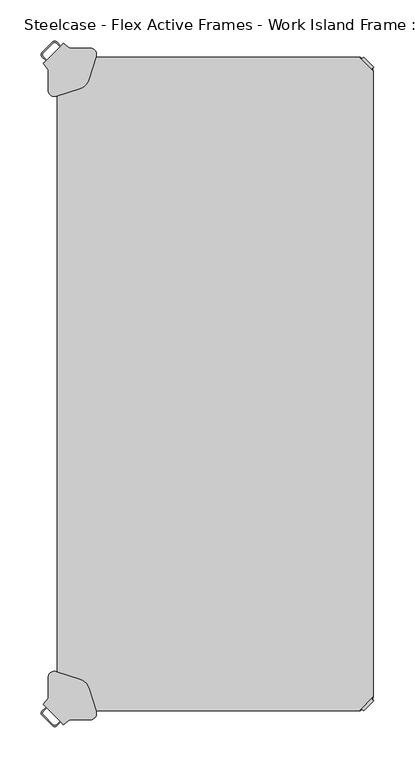
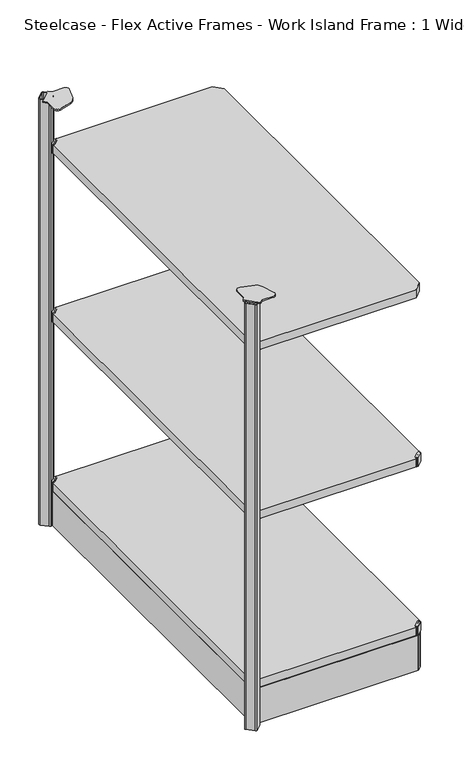
"""IFC4 building model written with IfcOpenShell, lengths in millimetres: furniture geometry, Steelcase - Flex Active Frames - Work Island Frame : 1 Wide - 2 Deep 2."""

import ifcopenshell
import ifcopenshell.guid

model = None  # the IFC model being written
_history = None  # IfcOwnerHistory: only IFC2X3 demands one
_inside = {}  # id of a spatial element -> (the spatial element, [elements in it])
_under = {}  # id of a project, library or spatial element -> (it, [spatial elements below it])
_declared = {}  # id of a project -> (the project, [libraries it declares])
_typed = {}  # id of a type object -> (the type object, [elements of that type])
_made_of = {}  # id of a material, layer set ... -> (it, [elements and type objects made of it])


def new_model(schema):
    """Start an empty IFC model of exactly this schema.

    Asked for "IFC4X3", IfcOpenShell would pick the latest addendum, in which some entities
    have other attributes; the version numbers below select the first issue.
    IFC2X3 requires an IfcOwnerHistory on every rooted entity: one is made here for all.
    """
    global model, _history
    if schema == "IFC4X3":
        model = ifcopenshell.file(schema_version=(4, 3, 0, 0))
    else:
        model = ifcopenshell.file(schema=schema)
    _inside.clear()
    _under.clear()
    _declared.clear()
    _typed.clear()
    _made_of.clear()
    _history = None
    if model.schema == "IFC2X3":
        org = make("IfcOrganization", Name="unknown")
        user = make(
            "IfcPersonAndOrganization",
            ThePerson=make("IfcPerson", FamilyName="unknown"),
            TheOrganization=org,
        )
        app = make(
            "IfcApplication",
            ApplicationDeveloper=org,
            Version="unknown",
            ApplicationFullName="unknown",
            ApplicationIdentifier="unknown",
        )
        _history = make(
            "IfcOwnerHistory",
            OwningUser=user,
            OwningApplication=app,
            ChangeAction="ADDED",
            CreationDate=0,
        )
    return model


def make(cls, **values):
    """One entity of the class cls with the attributes given. An attribute that is None is left unset."""
    return model.create_entity(
        cls, **{name: value for name, value in values.items() if value is not None}
    )


def rooted(cls, **values):
    """An entity with a GlobalId (a new one), such as an element, a storey or a relation."""
    return make(cls, GlobalId=ifcopenshell.guid.new(), OwnerHistory=_history, **values)


def si_unit(unit_type, name, prefix=None):
    """IfcSIUnit, for example si_unit("LENGTHUNIT", "METRE", prefix="MILLI")."""
    return make("IfcSIUnit", UnitType=unit_type, Prefix=prefix, Name=name)


def assignment(units):
    """IfcUnitAssignment: the units of a project."""
    return None if units is None else make("IfcUnitAssignment", Units=units)


def point(xyz):
    """IfcCartesianPoint."""
    return None if xyz is None else make("IfcCartesianPoint", Coordinates=xyz)


def direction(xyz):
    """IfcDirection."""
    return None if xyz is None else make("IfcDirection", DirectionRatios=xyz)


def frame(location, z_axis=None, x_axis=None):
    """IfcAxis2Placement3D, a coordinate frame: its origin and axes. An axis left out is left unset."""
    return make(
        "IfcAxis2Placement3D",
        Location=point(location),
        Axis=direction(z_axis),
        RefDirection=direction(x_axis),
    )


def frame_2d(location, x_axis=None):
    """IfcAxis2Placement2D, a coordinate frame in the plane: its origin and x axis."""
    return make(
        "IfcAxis2Placement2D", Location=point(location), RefDirection=direction(x_axis)
    )


def origin():
    """The frame at (0, 0, 0) with its axes left unset."""
    return frame((0.0, 0.0, 0.0))


def place(relative_to, where):
    """IfcLocalPlacement: puts the frame where relative to a parent placement (None: the world)."""
    return make(
        "IfcLocalPlacement", PlacementRelTo=relative_to, RelativePlacement=where
    )


def context(
    kind, dimensions, precision=None, world=None, true_north=None, identifier=None
):
    """IfcGeometricRepresentationContext, for example the 3D "Model" context."""
    return make(
        "IfcGeometricRepresentationContext",
        ContextIdentifier=identifier,
        ContextType=kind,
        CoordinateSpaceDimension=dimensions,
        Precision=precision,
        WorldCoordinateSystem=world,
        TrueNorth=true_north,
    )


def project(units=None, contexts=None):
    """IfcProject with its units and contexts."""
    return rooted(
        "IfcProject",
        Name="project",
        RepresentationContexts=contexts,
        UnitsInContext=assignment(units),
    )


def spatial(cls, under=None, at=None, **own):
    """A site, building, storey or space (cls), placed at a placement, below another one or the project."""
    s = rooted(cls, ObjectPlacement=at, **own)
    if under is not None:
        _under.setdefault(under.id(), (under, []))[1].append(s)
    return s


def polyline(points):
    """IfcPolyline through the points."""
    return make("IfcPolyline", Points=[point(p) for p in points])


def circle_curve(where, radius):
    """IfcCircle in the frame where."""
    return make("IfcCircle", Position=where, Radius=radius)


def trimmed(basis, trim1, trim2, sense, master):
    """IfcTrimmedCurve: the piece of a basis curve between two trims."""
    return make(
        "IfcTrimmedCurve",
        BasisCurve=basis,
        Trim1=trim1,
        Trim2=trim2,
        SenseAgreement=sense,
        MasterRepresentation=master,
    )


def segment(curve, same_sense, transition):
    """IfcCompositeCurveSegment."""
    return make(
        "IfcCompositeCurveSegment",
        Transition=transition,
        SameSense=same_sense,
        ParentCurve=curve,
    )


def composite_curve(segments, self_intersect=None):
    """IfcCompositeCurve: segments joined end to end."""
    return make("IfcCompositeCurve", Segments=segments, SelfIntersect=self_intersect)


def outline(outer, holes=None, kind="AREA"):
    """IfcArbitraryClosedProfileDef: a profile drawn as a closed curve; with holes, ...WithVoids."""
    if holes is None:
        return make("IfcArbitraryClosedProfileDef", ProfileType=kind, OuterCurve=outer)
    return make(
        "IfcArbitraryProfileDefWithVoids",
        ProfileType=kind,
        OuterCurve=outer,
        InnerCurves=holes,
    )


def extrude(swept, where, along, depth):
    """IfcExtrudedAreaSolid: the profile swept, set in the frame where, extruded along a direction by depth."""
    return make(
        "IfcExtrudedAreaSolid",
        SweptArea=swept,
        Position=where,
        ExtrudedDirection=direction(along),
        Depth=depth,
    )


def shape(context_of_items, identifier, shape_type, items):
    """IfcShapeRepresentation: the items that make up one representation, for example the "Body"."""
    return make(
        "IfcShapeRepresentation",
        ContextOfItems=context_of_items,
        RepresentationIdentifier=identifier,
        RepresentationType=shape_type,
        Items=items,
    )


def source(mapping_origin, context_of_items, identifier, shape_type, items):
    """IfcRepresentationMap: a shape defined once, which mapped items show again and again."""
    return make(
        "IfcRepresentationMap",
        MappingOrigin=mapping_origin,
        MappedRepresentation=shape(context_of_items, identifier, shape_type, items),
    )


def transform(
    local_origin,
    x_axis=None,
    y_axis=None,
    z_axis=None,
    scale=None,
    scale2=None,
    scale3=None,
    uniform=True,
):
    """IfcCartesianTransformationOperator3D, or its non-uniform kind. x_axis, y_axis, z_axis: its Axis1, 2, 3."""
    if uniform:
        return make(
            "IfcCartesianTransformationOperator3D",
            Axis1=direction(x_axis),
            Axis2=direction(y_axis),
            LocalOrigin=point(local_origin),
            Scale=scale,
            Axis3=direction(z_axis),
        )
    return make(
        "IfcCartesianTransformationOperator3DnonUniform",
        Axis1=direction(x_axis),
        Axis2=direction(y_axis),
        LocalOrigin=point(local_origin),
        Scale=scale,
        Axis3=direction(z_axis),
        Scale2=scale2,
        Scale3=scale3,
    )


def mapped(mapping_source, mapping_target):
    """IfcMappedItem: shows the shape of a source again, moved by a transform."""
    return make(
        "IfcMappedItem", MappingSource=mapping_source, MappingTarget=mapping_target
    )


def made_of(thing, what):
    """Note that an element or type object is made of a material, layer set ...; save() writes the relation."""
    if what is not None:
        _made_of.setdefault(what.id(), (what, []))[1].append(thing)
    return thing


def element(
    cls,
    number,
    at=None,
    inside=None,
    cuts=None,
    type_object=None,
    material=None,
    context=None,
    identifier="Body",
    shape_type=None,
    held_by="IfcProductDefinitionShape",
    body=None,
    shapes=None,
    **own,
):
    """One element of the class cls, such as IfcWall. Its Tag is "e" and its number.

    at: its placement. inside: the storey or other place that contains it. cuts: it is an
    opening in that element (IfcRelVoidsElement). A single representation is given by context,
    identifier, shape_type and body (its items); several are given by shapes. held_by: the class
    of the entity that holds the representations. save() writes the other relations.
    """
    e = rooted(cls, Tag="e%d" % number, ObjectPlacement=at, **own)
    if body is not None:
        shapes = [shape(context, identifier, shape_type, body)]
    if shapes is not None:
        e.Representation = make(held_by, Representations=shapes)
    if inside is not None:
        _inside.setdefault(inside.id(), (inside, []))[1].append(e)
    if cuts is not None:
        rooted(
            "IfcRelVoidsElement", RelatingBuildingElement=cuts, RelatedOpeningElement=e
        )
    if type_object is not None:
        _typed.setdefault(type_object.id(), (type_object, []))[1].append(e)
    return made_of(e, material)


def aggregate(whole, parts):
    """IfcRelAggregates: a whole, such as a stair, and the parts it consists of."""
    return rooted("IfcRelAggregates", RelatingObject=whole, RelatedObjects=parts)


def save(model, path):
    """Write the relations noted so far, then the file.

    IfcRelAggregates (storeys below a building ...), IfcRelContainedInSpatialStructure (elements
    in a storey), IfcRelDefinesByType, IfcRelAssociatesMaterial and IfcRelDeclares: one each for
    every whole, place, type object, material and project.
    """
    for whole, parts in _under.values():
        aggregate(whole, parts)
    for where, things in _inside.values():
        rooted(
            "IfcRelContainedInSpatialStructure",
            RelatedElements=things,
            RelatingStructure=where,
        )
    for kind, things in _typed.values():
        rooted("IfcRelDefinesByType", RelatedObjects=things, RelatingType=kind)
    for what, things in _made_of.values():
        rooted("IfcRelAssociatesMaterial", RelatedObjects=things, RelatingMaterial=what)
    for by, libraries in _declared.values():
        rooted("IfcRelDeclares", RelatingContext=by, RelatedDefinitions=libraries)
    model.write(path)


def plane_surface(at):
    """IfcPlane: the flat surface through the origin of the frame at, square to its z axis."""
    return make("IfcPlane", Position=at)


def cylinder_surface(at, radius):
    """IfcCylindricalSurface: all points at the distance radius from the z axis of the frame at."""
    return make("IfcCylindricalSurface", Position=at, Radius=radius)


def revolved_surface(curve, axis_point, axis_direction):
    """IfcSurfaceOfRevolution: the curve turned about the line through axis_point along axis_direction."""
    return make(
        "IfcSurfaceOfRevolution",
        SweptCurve=make("IfcArbitraryOpenProfileDef", ProfileType="CURVE", Curve=curve),
        AxisPosition=make("IfcAxis1Placement", Location=point(axis_point), Axis=direction(axis_direction)),
    )


def advanced_brep(points, edges, surfaces, faces):
    """IfcAdvancedBrep: a solid bounded by faces that lie on surfaces and meet in shared edges.

    An edge is (start, end): straight between two places in points (the first is 0);
    or (start, end, curve); or (start, end, curve, False) where it runs against its curve.
    A face is (place in surfaces, loops), or (place, loops, False) where it looks against
    its surface's normal. A loop lists edges by number (the first is 1), with a minus sign
    where the edge is run from its end to its start. The first loop is the outer one.
    """
    corners = [point(p) for p in points]
    vertices = [make("IfcVertexPoint", VertexGeometry=c) for c in corners]
    made = []
    for start, end, *more in edges:
        made.append(
            make(
                "IfcEdgeCurve",
                EdgeStart=vertices[start],
                EdgeEnd=vertices[end],
                EdgeGeometry=more[0] if more else make("IfcPolyline", Points=[corners[start], corners[end]]),
                SameSense=more[1] if len(more) > 1 else True,
            )
        )
    hull = []
    for where, loops, *sense in faces:
        bounds = []
        for j, loop in enumerate(loops):
            ring = [make("IfcOrientedEdge", EdgeElement=made[abs(k) - 1], Orientation=k > 0) for k in loop]
            bounds.append(
                make(
                    "IfcFaceOuterBound" if j == 0 else "IfcFaceBound",
                    Bound=make("IfcEdgeLoop", EdgeList=ring),
                    Orientation=True,
                )
            )
        hull.append(make("IfcAdvancedFace", Bounds=bounds, FaceSurface=surfaces[where], SameSense=sense[0] if sense else True))
    return make("IfcAdvancedBrep", Outer=make("IfcClosedShell", CfsFaces=hull))


def steelcase_flex_active_frames_work_island_frame_1_wide_2_deep_ec42e5cf(model_context):
    return source(origin(), model_context, "Body", "SolidModel", [
        extrude(outline(composite_curve([segment(polyline([(369.3964357, 1.93874), (367.4264729, -0.0311996), (366.32654, -0.0189911), (366.6921123, 2.7161946)]), True, "CONTINUOUS"), segment(trimmed(circle_curve(frame_2d((372.9861436, 1.8749633)), 6.35), [point((366.6921123, 2.7161946))], [point((368.4959854, 6.3650612))], False, "CARTESIAN"), True, "CONTINUOUS"), segment(polyline([(368.4959854, 6.3650612), (377.1652784, 15.0344708)]), True, "CONTINUOUS"), segment(trimmed(circle_curve(frame_2d((381.6554366, 10.5443729)), 6.35), [point((377.1652784, 15.0344708))], [point((380.8143812, 16.8384277))], False, "CARTESIAN"), True, "CONTINUOUS"), segment(polyline([(380.8143812, 16.8384277), (383.5495198, 17.203916), (383.5617057, 16.1038431), (381.590772, 14.1329326), (383.6787028, 12.044977), (371.4844011, -0.1493247), (369.3964357, 1.93874)]), True, "CONTINUOUS")], self_intersect=False)), frame((0.0, 0.0, 496.4821468), z_axis=(0.0, 0.0, 1.0), x_axis=(1.0, 0.0, 0.0)), (0.0, 0.0, 1.0), 20.2281258),
        extrude(outline(composite_curve([segment(polyline([(369.3964357, 790.54126), (371.4844011, 792.6293247), (383.6787028, 780.435023), (381.590772, 778.3470674), (383.5617057, 776.3761569), (383.5495198, 775.276084), (380.8143812, 775.6415723)]), True, "CONTINUOUS"), segment(trimmed(circle_curve(frame_2d((381.6554366, 781.9356271)), 6.35), [point((380.8143812, 775.6415723))], [point((377.1652784, 777.4455292))], False, "CARTESIAN"), True, "CONTINUOUS"), segment(polyline([(377.1652784, 777.4455292), (368.4959854, 786.1149388)]), True, "CONTINUOUS"), segment(trimmed(circle_curve(frame_2d((372.9861436, 790.6050367)), 6.35), [point((368.4959854, 786.1149388))], [point((366.6921123, 789.7638054))], False, "CARTESIAN"), True, "CONTINUOUS"), segment(polyline([(366.6921123, 789.7638054), (366.32654, 792.4989911), (367.4264729, 792.5111996), (369.3964357, 790.54126)]), True, "CONTINUOUS")], self_intersect=False)), frame((0.0, 0.0, 496.4821468), z_axis=(0.0, 0.0, 1.0), x_axis=(1.0, 0.0, 0.0)), (0.0, 0.0, 1.0), 20.2281258),
        extrude(outline(composite_curve([segment(polyline([(369.3964357, 1.93874), (367.4264729, -0.0311996), (366.32654, -0.0189911), (366.6921123, 2.7161946)]), True, "CONTINUOUS"), segment(trimmed(circle_curve(frame_2d((372.9861436, 1.8749633)), 6.35), [point((366.6921123, 2.7161946))], [point((368.4959854, 6.3650612))], False, "CARTESIAN"), True, "CONTINUOUS"), segment(polyline([(368.4959854, 6.3650612), (377.1652784, 15.0344708)]), True, "CONTINUOUS"), segment(trimmed(circle_curve(frame_2d((381.6554366, 10.5443729)), 6.35), [point((377.1652784, 15.0344708))], [point((380.8143812, 16.8384277))], False, "CARTESIAN"), True, "CONTINUOUS"), segment(polyline([(380.8143812, 16.8384277), (383.5495198, 17.203916), (383.5617057, 16.1038431), (381.590772, 14.1329326), (383.6787028, 12.044977), (371.4844011, -0.1493247), (369.3964357, 1.93874)]), True, "CONTINUOUS")], self_intersect=False)), frame((0.0, 0.0, 96.4824829), z_axis=(0.0, 0.0, 1.0), x_axis=(1.0, 0.0, 0.0)), (0.0, 0.0, 1.0), 20.2281258),
        extrude(outline(composite_curve([segment(polyline([(369.3964357, 790.54126), (371.4844011, 792.6293247), (383.6787028, 780.435023), (381.590772, 778.3470674), (383.5617057, 776.3761569), (383.5495198, 775.276084), (380.8143812, 775.6415723)]), True, "CONTINUOUS"), segment(trimmed(circle_curve(frame_2d((381.6554366, 781.9356271)), 6.35), [point((380.8143812, 775.6415723))], [point((377.1652784, 777.4455292))], False, "CARTESIAN"), True, "CONTINUOUS"), segment(polyline([(377.1652784, 777.4455292), (368.4959854, 786.1149388)]), True, "CONTINUOUS"), segment(trimmed(circle_curve(frame_2d((372.9861436, 790.6050367)), 6.35), [point((368.4959854, 786.1149388))], [point((366.6921123, 789.7638054))], False, "CARTESIAN"), True, "CONTINUOUS"), segment(polyline([(366.6921123, 789.7638054), (366.32654, 792.4989911), (367.4264729, 792.5111996), (369.3964357, 790.54126)]), True, "CONTINUOUS")], self_intersect=False)), frame((0.0, 0.0, 96.4824829), z_axis=(0.0, 0.0, 1.0), x_axis=(1.0, 0.0, 0.0)), (0.0, 0.0, 1.0), 20.2281258),
        extrude(outline(polyline([(0.0003876, 775.2859914), (17.1943962, 792.48), (366.3456038, 792.48), (383.5396124, 775.2859914), (383.5396124, 17.1940086), (366.3456038, 0.0), (17.1943962, 0.0), (0.0003876, 17.1940086), (0.0003876, 775.2859914)])), frame((0.0, 0.0, 97.4999596), z_axis=(0.0, 0.0, 1.0), x_axis=(1.0, 0.0, 0.0)), (0.0, 0.0, 1.0), 19.0000031),
        extrude(outline(composite_curve([segment(polyline([(14.1435643, 1.93874), (12.0555989, -0.1493247), (-0.1387028, 12.044977), (1.949228, 14.1329326), (-0.0217057, 16.1038431), (-0.0095198, 17.203916), (2.7256188, 16.8384277)]), True, "CONTINUOUS"), segment(trimmed(circle_curve(frame_2d((1.8845634, 10.5443729)), 6.35), [point((2.7256188, 16.8384277))], [point((6.3747216, 15.0344708))], False, "CARTESIAN"), True, "CONTINUOUS"), segment(polyline([(6.3747216, 15.0344708), (15.0440146, 6.3650612)]), True, "CONTINUOUS"), segment(trimmed(circle_curve(frame_2d((10.5538564, 1.8749633)), 6.35), [point((15.0440146, 6.3650612))], [point((16.8478877, 2.7161946))], False, "CARTESIAN"), True, "CONTINUOUS"), segment(polyline([(16.8478877, 2.7161946), (17.21346, -0.0189911), (16.1135271, -0.0311996), (14.1435643, 1.93874)]), True, "CONTINUOUS")], self_intersect=False)), frame((0.0, 0.0, 96.4824829), z_axis=(0.0, 0.0, 1.0), x_axis=(1.0, 0.0, 0.0)), (0.0, 0.0, 1.0), 20.2281258),
        extrude(outline(composite_curve([segment(polyline([(14.1435643, 790.54126), (16.1135271, 792.5111996), (17.21346, 792.4989911), (16.8478877, 789.7638054)]), True, "CONTINUOUS"), segment(trimmed(circle_curve(frame_2d((10.5538564, 790.6050367)), 6.35), [point((16.8478877, 789.7638054))], [point((15.0440146, 786.1149388))], False, "CARTESIAN"), True, "CONTINUOUS"), segment(polyline([(15.0440146, 786.1149388), (6.3747216, 777.4455292)]), True, "CONTINUOUS"), segment(trimmed(circle_curve(frame_2d((1.8845634, 781.9356271)), 6.35), [point((6.3747216, 777.4455292))], [point((2.7256188, 775.6415723))], False, "CARTESIAN"), True, "CONTINUOUS"), segment(polyline([(2.7256188, 775.6415723), (-0.0095198, 775.276084), (-0.0217057, 776.3761569), (1.949228, 778.3470674), (-0.1387028, 780.435023), (12.0555989, 792.6293247), (14.1435643, 790.54126)]), True, "CONTINUOUS")], self_intersect=False)), frame((0.0, 0.0, 96.4824829), z_axis=(0.0, 0.0, 1.0), x_axis=(1.0, 0.0, 0.0)), (0.0, 0.0, 1.0), 20.2281258),
        extrude(outline(polyline([(0.0003876, 775.2859914), (17.1943962, 792.48), (366.3456038, 792.48), (383.5396124, 775.2859914), (383.5396124, 17.1940086), (366.3456038, 0.0), (17.1943962, 0.0), (0.0003876, 17.1940086), (0.0003876, 775.2859914)])), frame((0.0, 0.0, 497.4996235), z_axis=(0.0, 0.0, 1.0), x_axis=(1.0, 0.0, 0.0)), (0.0, 0.0, 1.0), 19.0000031),
        extrude(outline(composite_curve([segment(polyline([(14.1435643, 1.93874), (12.0555989, -0.1493247), (-0.1387028, 12.044977), (1.949228, 14.1329326), (-0.0217057, 16.1038431), (-0.0095198, 17.203916), (2.7256188, 16.8384277)]), True, "CONTINUOUS"), segment(trimmed(circle_curve(frame_2d((1.8845634, 10.5443729)), 6.35), [point((2.7256188, 16.8384277))], [point((6.3747216, 15.0344708))], False, "CARTESIAN"), True, "CONTINUOUS"), segment(polyline([(6.3747216, 15.0344708), (15.0440146, 6.3650612)]), True, "CONTINUOUS"), segment(trimmed(circle_curve(frame_2d((10.5538564, 1.8749633)), 6.35), [point((15.0440146, 6.3650612))], [point((16.8478877, 2.7161946))], False, "CARTESIAN"), True, "CONTINUOUS"), segment(polyline([(16.8478877, 2.7161946), (17.21346, -0.0189911), (16.1135271, -0.0311996), (14.1435643, 1.93874)]), True, "CONTINUOUS")], self_intersect=False)), frame((0.0, 0.0, 496.4821468), z_axis=(0.0, 0.0, 1.0), x_axis=(1.0, 0.0, 0.0)), (0.0, 0.0, 1.0), 20.2281258),
        extrude(outline(composite_curve([segment(polyline([(14.1435643, 790.54126), (16.1135271, 792.5111996), (17.21346, 792.4989911), (16.8478877, 789.7638054)]), True, "CONTINUOUS"), segment(trimmed(circle_curve(frame_2d((10.5538564, 790.6050367)), 6.35), [point((16.8478877, 789.7638054))], [point((15.0440146, 786.1149388))], False, "CARTESIAN"), True, "CONTINUOUS"), segment(polyline([(15.0440146, 786.1149388), (6.3747216, 777.4455292)]), True, "CONTINUOUS"), segment(trimmed(circle_curve(frame_2d((1.8845634, 781.9356271)), 6.35), [point((6.3747216, 777.4455292))], [point((2.7256188, 775.6415723))], False, "CARTESIAN"), True, "CONTINUOUS"), segment(polyline([(2.7256188, 775.6415723), (-0.0095198, 775.276084), (-0.0217057, 776.3761569), (1.949228, 778.3470674), (-0.1387028, 780.435023), (12.0555989, 792.6293247), (14.1435643, 790.54126)]), True, "CONTINUOUS")], self_intersect=False)), frame((0.0, 0.0, 496.4821468), z_axis=(0.0, 0.0, 1.0), x_axis=(1.0, 0.0, 0.0)), (0.0, 0.0, 1.0), 20.2281258),
        extrude(outline(polyline([(0.0003876, 775.2859914), (17.1943962, 792.48), (366.3456038, 792.48), (383.5396124, 775.2859914), (383.5396124, 17.1940086), (366.3456038, 0.0), (17.1943962, 0.0), (0.0003876, 17.1940086), (0.0003876, 775.2859914)])), frame((0.0, 0.0, 897.4997719), z_axis=(0.0, 0.0, 1.0), x_axis=(1.0, 0.0, 0.0)), (0.0, 0.0, 1.0), 19.0000031),
        extrude(outline(composite_curve([segment(polyline([(14.1435643, 1.93874), (12.0555989, -0.1493247), (-0.1387028, 12.044977), (1.949228, 14.1329326), (-0.0217057, 16.1038431), (-0.0095198, 17.203916), (2.7256188, 16.8384277)]), True, "CONTINUOUS"), segment(trimmed(circle_curve(frame_2d((1.8845634, 10.5443729)), 6.35), [point((2.7256188, 16.8384277))], [point((6.3747216, 15.0344708))], False, "CARTESIAN"), True, "CONTINUOUS"), segment(polyline([(6.3747216, 15.0344708), (15.0440146, 6.3650612)]), True, "CONTINUOUS"), segment(trimmed(circle_curve(frame_2d((10.5538564, 1.8749633)), 6.35), [point((15.0440146, 6.3650612))], [point((16.8478877, 2.7161946))], False, "CARTESIAN"), True, "CONTINUOUS"), segment(polyline([(16.8478877, 2.7161946), (17.21346, -0.0189911), (16.1135271, -0.0311996), (14.1435643, 1.93874)]), True, "CONTINUOUS")], self_intersect=False)), frame((0.0, 0.0, 896.4822952), z_axis=(0.0, 0.0, 1.0), x_axis=(1.0, 0.0, 0.0)), (0.0, 0.0, 1.0), 20.2281258),
        extrude(outline(composite_curve([segment(polyline([(14.1435643, 790.54126), (16.1135271, 792.5111996), (17.21346, 792.4989911), (16.8478877, 789.7638054)]), True, "CONTINUOUS"), segment(trimmed(circle_curve(frame_2d((10.5538564, 790.6050367)), 6.35), [point((16.8478877, 789.7638054))], [point((15.0440146, 786.1149388))], False, "CARTESIAN"), True, "CONTINUOUS"), segment(polyline([(15.0440146, 786.1149388), (6.3747216, 777.4455292)]), True, "CONTINUOUS"), segment(trimmed(circle_curve(frame_2d((1.8845634, 781.9356271)), 6.35), [point((6.3747216, 777.4455292))], [point((2.7256188, 775.6415723))], False, "CARTESIAN"), True, "CONTINUOUS"), segment(polyline([(2.7256188, 775.6415723), (-0.0095198, 775.276084), (-0.0217057, 776.3761569), (1.949228, 778.3470674), (-0.1387028, 780.435023), (12.0555989, 792.6293247), (14.1435643, 790.54126)]), True, "CONTINUOUS")], self_intersect=False)), frame((0.0, 0.0, 896.4822952), z_axis=(0.0, 0.0, 1.0), x_axis=(1.0, 0.0, 0.0)), (0.0, 0.0, 1.0), 20.2281258),
        extrude(outline(composite_curve([segment(trimmed(circle_curve(frame_2d((12.1559074, 3.5418273)), 2.54), [point((12.155908, 1.0018273))], [point((10.3598561, 1.7457761))], False, "CARTESIAN"), True, "CONTINUOUS"), segment(polyline([(10.3598561, 1.7457761), (1.7515161, 10.3541161)]), True, "CONTINUOUS"), segment(trimmed(circle_curve(frame_2d((3.5475673, 12.1501673)), 2.54), [point((1.7515161, 10.3541161))], [point((1.0075673, 12.1501687))], False, "CARTESIAN"), True, "CONTINUOUS"), segment(polyline([(1.0075673, 12.1501687), (1.0077651, 780.3615295)]), True, "CONTINUOUS"), segment(trimmed(circle_curve(frame_2d((3.5475673, 780.3298327)), 2.54), [point((1.0077651, 780.3615295))], [point((1.7515161, 782.1258839))], False, "CARTESIAN"), True, "CONTINUOUS"), segment(polyline([(1.7515161, 782.1258839), (10.3598561, 790.7342239)]), True, "CONTINUOUS"), segment(trimmed(circle_curve(frame_2d((12.1559074, 788.9381727)), 2.54), [point((10.3598561, 790.7342239))], [point((12.155908, 791.4781727))], False, "CARTESIAN"), True, "CONTINUOUS"), segment(polyline([(12.155908, 791.4781727), (371.4065262, 791.4780736)]), True, "CONTINUOUS"), segment(trimmed(circle_curve(frame_2d((371.3840926, 788.9381727)), 2.54), [point((371.4065262, 791.4780736))], [point((373.1801439, 790.7342239))], False, "CARTESIAN"), True, "CONTINUOUS"), segment(polyline([(373.1801439, 790.7342239), (381.7884839, 782.1258839)]), True, "CONTINUOUS"), segment(trimmed(circle_curve(frame_2d((379.9924327, 780.3298327)), 2.54), [point((381.7884839, 782.1258839))], [point((382.5322349, 780.3615295))], False, "CARTESIAN"), True, "CONTINUOUS"), segment(polyline([(382.5322349, 780.3615295), (382.5324327, 12.1501687)]), True, "CONTINUOUS"), segment(trimmed(circle_curve(frame_2d((379.9924327, 12.1501673)), 2.54), [point((382.5324327, 12.1501687))], [point((381.7884839, 10.3541161))], False, "CARTESIAN"), True, "CONTINUOUS"), segment(polyline([(381.7884839, 10.3541161), (373.1801439, 1.7457761)]), True, "CONTINUOUS"), segment(trimmed(circle_curve(frame_2d((371.3840926, 3.5418273)), 2.54), [point((373.1801439, 1.7457761))], [point((371.4065262, 1.0019264))], False, "CARTESIAN"), True, "CONTINUOUS"), segment(polyline([(371.4065262, 1.0019264), (12.155908, 1.0018273)]), True, "CONTINUOUS")], self_intersect=False)), frame((0.0, 0.0, 12.5999909), z_axis=(0.0, 0.0, 1.0), x_axis=(1.0, 0.0, 0.0)), (0.0, 0.0, 1.0), 82.39977),
        advanced_brep(
        [(-18.5290767, -5.1536029, 1021.9997307), (-5.1665297, -18.5163124, 1021.9997307), (-0.8559936, -18.5163256, 1021.9997307), (4.0570852, -13.6032467, 1021.9997307), (7.5669051, -17.1137694, 1021.9997307), (14.9749338, -10.9765587, 1021.9997307), (39.9930987, -10.9762884, 1021.9997307), (47.258394, -1.0587489, 1021.9997307), (38.2322093, 27.4842379, 1021.9997307), (27.4702561, 38.2473507, 1021.9997307), (-1.0706201, 47.2762508, 1021.9997307), (-10.9889425, 40.0111633, 1021.9997307), (-10.9890821, 14.9855194, 1021.9997307), (-17.0652617, 7.5233295, 1021.9997307), (-13.6142669, 4.0716438, 1021.9997307), (-18.5290505, -0.8430799, 1021.9997307), (-16.5637788, -5.1536214, 1021.9997307), (-16.5637683, -0.843088, 1021.9997307), (-12.631731, 3.0889111, 1021.9997307), (3.0746134, -12.6205781, 1021.9997307), (-0.8557986, -16.5510473, 1021.9997307), (-5.1663372, -16.5510629, 1021.9997307), (-18.5290767, -5.1536029, 12.5999909), (-18.5290505, -0.8430799, 12.5999909), (-5.1662856, 12.5195224, 12.5999909), (-0.8557649, 12.5194983, 12.5999909), (12.5067144, -0.8431164, 12.5999909), (12.5067035, -5.1536284, 12.5999909), (-0.8559936, -18.5163256, 12.5999909), (-5.1665297, -18.5163124, 12.5999909), (-16.5637788, -5.1536214, 12.5999909), (-5.1663372, -16.5510629, 12.5999909), (-0.8557986, -16.5510473, 12.5999909), (10.5415514, -5.1535313, 12.5999909), (10.5415357, -0.843024, 12.5999909), (-0.8557675, 10.5542792, 12.5999909), (-5.16628, 10.5542897, 12.5999909), (-16.5637683, -0.843088, 12.5999909), (-13.6142669, 4.0716438, 1019.0034988), (-5.1662856, 12.5195224, 1019.0034988), (-0.8557649, 12.5194983, 1019.0034988), (12.5067144, -0.8431164, 1019.0034988), (12.5067035, -5.1536284, 1019.0034988), (4.0570852, -13.6032467, 1019.0034988), (3.0746134, -12.6205781, 1019.0034988), (10.5415514, -5.1535313, 1019.0034988), (10.5415357, -0.843024, 1019.0034988), (-0.8557675, 10.5542792, 1019.0034988), (-5.16628, 10.5542897, 1019.0034988), (-12.631731, 3.0889111, 1019.0034988), (7.5669051, -17.1137694, 1019.0034988), (-17.0652617, 7.5233295, 1019.0034988), (-10.9890821, 14.9855194, 1019.0034988), (-10.9889425, 40.0111633, 1019.0034988), (-1.0706201, 47.2762508, 1019.0034988), (27.4702561, 38.2473507, 1019.0034988), (38.2322093, 27.4842379, 1019.0034988), (47.258394, -1.0587489, 1019.0034988), (39.9930987, -10.9762884, 1019.0034988), (14.9749338, -10.9765587, 1019.0034988)],
        [
            (0, 1),
            (1, 2, circle_curve(frame((-3.0112551, -16.3610641, 1021.9997307), z_axis=(0.0, 0.0, 1.0), x_axis=(1.0, 0.0, 0.0)), 3.048)),
            (2, 3),
            (3, 4),
            (4, 5),
            (5, 6),
            (6, 7, circle_curve(frame((39.9930164, -3.3562884, 1021.9997307), z_axis=(0.0, 0.0, 1.0), x_axis=(1.0, 0.0, 0.0)), 7.62)),
            (7, 8),
            (8, 9, circle_curve(frame((22.4905578, 22.5062356, 1021.9997307), z_axis=(0.0, 0.0, 1.0), x_axis=(1.0, 0.0, 0.0)), 16.51)),
            (9, 10),
            (10, 11, circle_curve(frame((-3.3689425, 40.0111207, 1021.9997307), z_axis=(0.0, 0.0, 1.0), x_axis=(1.0, 0.0, 0.0)), 7.62)),
            (11, 12),
            (12, 13),
            (13, 14),
            (14, 15),
            (15, 0, circle_curve(frame((-16.3738021, -2.9983545, 1021.9997307), z_axis=(0.0, 0.0, 1.0), x_axis=(1.0, 0.0, 0.0)), 3.048)),
            (16, 17, circle_curve(frame((-14.4085173, -2.9983599, 1021.9997307), z_axis=(0.0, 0.0, -1.0), x_axis=(1.0, 0.0, 0.0)), 3.048)),
            (17, 18),
            (18, 19),
            (19, 20),
            (20, 21, circle_curve(frame((-3.0110758, -14.3958015, 1021.9997307), z_axis=(0.0, 0.0, -1.0), x_axis=(1.0, 0.0, 0.0)), 3.048)),
            (21, 16),
            (22, 23, circle_curve(frame((-16.3738021, -2.9983545, 12.5999909), z_axis=(0.0, 0.0, -1.0), x_axis=(1.0, 0.0, 0.0)), 3.048)),
            (23, 24),
            (24, 25, circle_curve(frame((-3.0110373, 10.3642478, 12.5999909), z_axis=(0.0, 0.0, -1.0), x_axis=(1.0, 0.0, 0.0)), 3.048)),
            (25, 26),
            (26, 27, circle_curve(frame((10.351442, -2.998367, 12.5999909), z_axis=(0.0, 0.0, -1.0), x_axis=(1.0, 0.0, 0.0)), 3.048)),
            (27, 28),
            (28, 29, circle_curve(frame((-3.0112551, -16.3610641, 12.5999909), z_axis=(0.0, 0.0, -1.0), x_axis=(1.0, 0.0, 0.0)), 3.048)),
            (29, 22),
            (30, 31),
            (31, 32, circle_curve(frame((-3.0110758, -14.3958015, 12.5999909), z_axis=(0.0, 0.0, 1.0), x_axis=(1.0, 0.0, 0.0)), 3.048)),
            (32, 33),
            (33, 34, circle_curve(frame((8.3862743, -2.9982855, 12.5999909), z_axis=(0.0, 0.0, 1.0), x_axis=(1.0, 0.0, 0.0)), 3.048)),
            (34, 35),
            (35, 36, circle_curve(frame((-3.011029, 8.3990177, 12.5999909), z_axis=(0.0, 0.0, 1.0), x_axis=(1.0, 0.0, 0.0)), 3.048)),
            (36, 37),
            (37, 30, circle_curve(frame((-14.4085173, -2.9983599, 12.5999909), z_axis=(0.0, 0.0, 1.0), x_axis=(1.0, 0.0, 0.0)), 3.048)),
            (15, 23),
            (22, 0),
            (14, 38),
            (38, 39),
            (39, 24),
            (39, 40, circle_curve(frame((-3.0110373, 10.3642478, 1019.0034988), z_axis=(0.0, 0.0, -1.0), x_axis=(1.0, 0.0, 0.0)), 3.048)),
            (40, 25),
            (40, 41),
            (41, 26),
            (41, 42, circle_curve(frame((10.351442, -2.998367, 1019.0034988), z_axis=(0.0, 0.0, -1.0), x_axis=(1.0, 0.0, 0.0)), 3.048)),
            (42, 27),
            (42, 43),
            (43, 3),
            (2, 28),
            (1, 29),
            (21, 31),
            (30, 16),
            (20, 32),
            (19, 44),
            (44, 45),
            (45, 33),
            (45, 46, circle_curve(frame((8.3862743, -2.9982855, 1019.0034988), z_axis=(0.0, 0.0, 1.0), x_axis=(1.0, 0.0, 0.0)), 3.048)),
            (46, 34),
            (46, 47),
            (47, 35),
            (47, 48, circle_curve(frame((-3.011029, 8.3990177, 1019.0034988), z_axis=(0.0, 0.0, 1.0), x_axis=(1.0, 0.0, 0.0)), 3.048)),
            (48, 36),
            (48, 49),
            (49, 18),
            (17, 37),
            (44, 49),
            (50, 43),
            (38, 51),
            (51, 52),
            (52, 53),
            (53, 54, circle_curve(frame((-3.3689425, 40.0111207, 1019.0034988), z_axis=(0.0, 0.0, -1.0), x_axis=(1.0, 0.0, 0.0)), 7.62)),
            (54, 55),
            (55, 56, circle_curve(frame((22.4905578, 22.5062356, 1019.0034988), z_axis=(0.0, 0.0, -1.0), x_axis=(1.0, 0.0, 0.0)), 16.51)),
            (56, 57),
            (57, 58, circle_curve(frame((39.9930164, -3.3562884, 1019.0034988), z_axis=(0.0, 0.0, -1.0), x_axis=(1.0, 0.0, 0.0)), 7.62)),
            (58, 59),
            (59, 50),
            (50, 4),
            (13, 51),
            (12, 52),
            (11, 53),
            (10, 54),
            (9, 55),
            (8, 56),
            (7, 57),
            (6, 58),
            (5, 59),
        ],
        [
            plane_surface(frame((-13.3258021, -2.9983545, 1021.9997307), z_axis=(0.0, 0.0, 1.0), x_axis=(0.0, -1.0, 0.0))),
            plane_surface(frame((-13.3258021, -2.9983545, 12.5999909), z_axis=(0.0, 0.0, -1.0), x_axis=(0.0, 1.0, 0.0))),
            cylinder_surface(frame((-16.3738021, -2.9983545, 12.5999909), z_axis=(0.0, 0.0, 1.0), x_axis=(1.0, 0.0, 0.0)), 3.048),
            plane_surface(frame((-18.5290505, -0.8430799, 1021.9997307), z_axis=(-0.7071024799413723, 0.7071110824055591, 0.0), x_axis=(0.0, 0.0, -1.0))),
            cylinder_surface(frame((-3.0110373, 10.3642478, 12.5999909), z_axis=(0.0, 0.0, 1.0), x_axis=(1.0, 0.0, 0.0)), 3.048),
            plane_surface(frame((-0.8557649, 12.5194983, 1021.9997307), z_axis=(0.7071103654975404, 0.7071031968573858, 0.0), x_axis=(0.0, 0.0, -1.0))),
            cylinder_surface(frame((10.351442, -2.998367, 12.5999909), z_axis=(0.0, 0.0, 1.0), x_axis=(1.0, 0.0, 0.0)), 3.048),
            plane_surface(frame((12.5067035, -5.1536284, 1021.9997307), z_axis=(0.7071067811865476, -0.7071067811865476, 0.0), x_axis=(0.0, 0.0, -1.0))),
            cylinder_surface(frame((-3.0112551, -16.3610641, 12.5999909), z_axis=(0.0, 0.0, 1.0), x_axis=(1.0, 0.0, 0.0)), 3.048),
            plane_surface(frame((-5.1665297, -18.5163124, 1021.9997307), z_axis=(-0.7071110823880841, -0.7071024799588475, 0.0), x_axis=(0.0, 0.0, -1.0))),
            plane_surface(frame((-16.5637788, -5.1536214, 1021.9997307), z_axis=(0.7071067811865476, 0.7071067811865476, 0.0), x_axis=(0.0, 0.0, -1.0))),
            revolved_surface(polyline([(0.036924200000000074, -14.3958015, 12.5999909), (0.036924200000000074, -14.3958015, 1021.9997307)]), (-3.0110758, -14.3958015, 0.0), (0.0, 0.0, -1.0)),
            plane_surface(frame((-0.8557986, -16.5510473, 1021.9997307), z_axis=(-0.7071119292163862, 0.7071016331192288, 0.0), x_axis=(0.0, 0.0, -1.0))),
            revolved_surface(polyline([(11.4342743, -2.9982855, 12.5999909), (11.4342743, -2.9982855, 1019.0034988)]), (8.3862743, -2.9982855, 0.0), (0.0, 0.0, -1.0)),
            plane_surface(frame((10.5415357, -0.843024, 1021.9997307), z_axis=(-0.7071067811865476, -0.7071067811865476, 0.0), x_axis=(0.0, 0.0, -1.0))),
            revolved_surface(polyline([(0.036970999999999865, 8.3990177, 12.5999909), (0.036970999999999865, 8.3990177, 1019.0034988)]), (-3.011029, 8.3990177, 0.0), (0.0, 0.0, -1.0)),
            plane_surface(frame((-5.16628, 10.5542897, 1021.9997307), z_axis=(0.7071033492041437, -0.707110213152294, 0.0), x_axis=(0.0, 0.0, -1.0))),
            revolved_surface(polyline([(-11.3605173, -2.9983599, 12.5999909), (-11.3605173, -2.9983599, 1021.9997307)]), (-14.4085173, -2.9983599, 0.0), (0.0, 0.0, -1.0)),
            plane_surface(frame((-5.2094931, -4.3348129, 1019.0034988), z_axis=(0.0, 0.0, -1.0), x_axis=(0.7070359925692735, -0.7071775627178667, 0.0))),
            plane_surface(frame((7.5669051, -17.1137694, 1021.9997307), z_axis=(-0.7071775627178667, -0.7070359925692735, 0.0), x_axis=(0.0, 0.0, -1.0))),
            plane_surface(frame((-17.0652617, 7.5233295, 1021.9997307), z_axis=(-0.7754447692196447, 0.631415402005599, 0.0), x_axis=(0.0, 0.0, -1.0))),
            plane_surface(frame((-10.9890821, 14.9855194, 1021.9997307), z_axis=(-0.9999999999844242, 5.581369368137547e-06, 0.0), x_axis=(0.0, 0.0, -1.0))),
            cylinder_surface(frame((-3.3689425, 40.0111207, 1019.0034988), z_axis=(0.0, 0.0, 1.0), x_axis=(1.0, 0.0, 0.0)), 7.62),
            plane_surface(frame((-1.0706201, 47.2762508, 1021.9997307), z_axis=(0.30161710398598673, 0.9534291387319282, 0.0), x_axis=(0.0, 0.0, -1.0))),
            cylinder_surface(frame((22.4905578, 22.5062356, 1019.0034988), z_axis=(0.0, 0.0, 1.0), x_axis=(1.0, 0.0, 0.0)), 16.51),
            plane_surface(frame((38.2322093, 27.4842379, 1021.9997307), z_axis=(0.9534616310857681, 0.30151437452842406, 0.0), x_axis=(0.0, 0.0, -1.0))),
            cylinder_surface(frame((39.9930164, -3.3562884, 1019.0034988), z_axis=(0.0, 0.0, 1.0), x_axis=(1.0, 0.0, 0.0)), 7.62),
            plane_surface(frame((39.9930987, -10.9762884, 1021.9997307), z_axis=(1.0801644007053796e-05, -0.9999999999416623, 0.0), x_axis=(0.0, 0.0, -1.0))),
            plane_surface(frame((14.9749338, -10.9765587, 1021.9997307), z_axis=(0.6379642264562713, -0.7700660009129422, 0.0), x_axis=(0.0, 0.0, -1.0))),
        ],
        [
            (0, [[1, 2, 3, 4, 5, 6, 7, 8, 9, 10, 11, 12, 13, 14, 15, 16], [17, 18, 19, 20, 21, 22]]),
            (1, [[23, 24, 25, 26, 27, 28, 29, 30], [31, 32, 33, 34, 35, 36, 37, 38]]),
            (2, [[39, -23, 40, -16]]),
            (3, [[-39, -15, 41, 42, 43, -24]]),
            (4, [[-43, 44, 45, -25]]),
            (5, [[-45, 46, 47, -26]]),
            (6, [[-47, 48, 49, -27]]),
            (7, [[-49, 50, 51, -3, 52, -28]]),
            (8, [[53, -29, -52, -2]]),
            (9, [[-40, -30, -53, -1]]),
            (10, [[54, -31, 55, -22]]),
            (11, [[56, -32, -54, -21]]),
            (12, [[-56, -20, 57, 58, 59, -33]]),
            (13, [[-59, 60, 61, -34]]),
            (14, [[-61, 62, 63, -35]]),
            (15, [[-63, 64, 65, -36]]),
            (16, [[-65, 66, 67, -18, 68, -37]]),
            (17, [[-55, -38, -68, -17]]),
            (18, [[-66, -64, -62, -60, -58, 69]]),
            (18, [[70, -50, -48, -46, -44, -42, 71, 72, 73, 74, 75, 76, 77, 78, 79, 80]]),
            (19, [[-4, -51, -70, 81]]),
            (19, [[-67, -69, -57, -19]]),
            (19, [[-71, -41, -14, 82]]),
            (20, [[83, -72, -82, -13]]),
            (21, [[84, -73, -83, -12]]),
            (22, [[85, -74, -84, -11]]),
            (23, [[86, -75, -85, -10]]),
            (24, [[87, -76, -86, -9]]),
            (25, [[88, -77, -87, -8]]),
            (26, [[89, -78, -88, -7]]),
            (27, [[90, -79, -89, -6]]),
            (28, [[-81, -80, -90, -5]]),
        ],
    ),
        advanced_brep(
        [(-18.5290767, 797.6336029, 1021.9997307), (-18.5290505, 793.3230799, 1021.9997307), (-13.6142669, 788.4083562, 1021.9997307), (-17.0652617, 784.9566705, 1021.9997307), (-10.9890821, 777.4944806, 1021.9997307), (-10.9889425, 752.4688367, 1021.9997307), (-1.0706201, 745.2037492, 1021.9997307), (27.4702561, 754.2326493, 1021.9997307), (38.2322093, 764.9957621, 1021.9997307), (47.258394, 793.5387489, 1021.9997307), (39.9930987, 803.4562884, 1021.9997307), (14.9749338, 803.4565587, 1021.9997307), (7.5669051, 809.5937694, 1021.9997307), (4.0570852, 806.0832467, 1021.9997307), (-0.8559936, 810.9963256, 1021.9997307), (-5.1665297, 810.9963124, 1021.9997307), (-16.5637788, 797.6336214, 1021.9997307), (-5.1663372, 809.0310629, 1021.9997307), (-0.8557986, 809.0310473, 1021.9997307), (3.0746134, 805.1005781, 1021.9997307), (-12.631731, 789.3910889, 1021.9997307), (-16.5637683, 793.323088, 1021.9997307), (-18.5290767, 797.6336029, 12.5999909), (-5.1665297, 810.9963124, 12.5999909), (-0.8559936, 810.9963256, 12.5999909), (12.5067035, 797.6336284, 12.5999909), (12.5067144, 793.3231164, 12.5999909), (-0.8557649, 779.9605017, 12.5999909), (-5.1662856, 779.9604776, 12.5999909), (-18.5290505, 793.3230799, 12.5999909), (-16.5637788, 797.6336214, 12.5999909), (-16.5637683, 793.323088, 12.5999909), (-5.16628, 781.9257103, 12.5999909), (-0.8557675, 781.9257208, 12.5999909), (10.5415357, 793.323024, 12.5999909), (10.5415514, 797.6335313, 12.5999909), (-0.8557986, 809.0310473, 12.5999909), (-5.1663372, 809.0310629, 12.5999909), (4.0570852, 806.0832467, 1019.0034988), (12.5067035, 797.6336284, 1019.0034988), (12.5067144, 793.3231164, 1019.0034988), (-0.8557649, 779.9605017, 1019.0034988), (-5.1662856, 779.9604776, 1019.0034988), (-13.6142669, 788.4083562, 1019.0034988), (-12.631731, 789.3910889, 1019.0034988), (-5.16628, 781.9257103, 1019.0034988), (-0.8557675, 781.9257208, 1019.0034988), (10.5415357, 793.323024, 1019.0034988), (10.5415514, 797.6335313, 1019.0034988), (3.0746134, 805.1005781, 1019.0034988), (-17.0652617, 784.9566705, 1019.0034988), (7.5669051, 809.5937694, 1019.0034988), (14.9749338, 803.4565587, 1019.0034988), (39.9930987, 803.4562884, 1019.0034988), (47.258394, 793.5387489, 1019.0034988), (38.2322093, 764.9957621, 1019.0034988), (27.4702561, 754.2326493, 1019.0034988), (-1.0706201, 745.2037492, 1019.0034988), (-10.9889425, 752.4688367, 1019.0034988), (-10.9890821, 777.4944806, 1019.0034988)],
        [
            (0, 1, circle_curve(frame((-16.3738021, 795.4783545, 1021.9997307), z_axis=(0.0, 0.0, 1.0), x_axis=(1.0, 0.0, 0.0)), 3.048)),
            (1, 2),
            (2, 3),
            (3, 4),
            (4, 5),
            (5, 6, circle_curve(frame((-3.3689425, 752.4688793, 1021.9997307), z_axis=(0.0, 0.0, 1.0), x_axis=(1.0, 0.0, 0.0)), 7.62)),
            (6, 7),
            (7, 8, circle_curve(frame((22.4905578, 769.9737644, 1021.9997307), z_axis=(0.0, 0.0, 1.0), x_axis=(1.0, 0.0, 0.0)), 16.51)),
            (8, 9),
            (9, 10, circle_curve(frame((39.9930164, 795.8362884, 1021.9997307), z_axis=(0.0, 0.0, 1.0), x_axis=(1.0, 0.0, 0.0)), 7.62)),
            (10, 11),
            (11, 12),
            (12, 13),
            (13, 14),
            (14, 15, circle_curve(frame((-3.0112551, 808.8410641, 1021.9997307), z_axis=(0.0, 0.0, 1.0), x_axis=(1.0, 0.0, 0.0)), 3.048)),
            (15, 0),
            (16, 17),
            (17, 18, circle_curve(frame((-3.0110758, 806.8758015, 1021.9997307), z_axis=(0.0, 0.0, -1.0), x_axis=(1.0, 0.0, 0.0)), 3.048)),
            (18, 19),
            (19, 20),
            (20, 21),
            (21, 16, circle_curve(frame((-14.4085173, 795.4783599, 1021.9997307), z_axis=(0.0, 0.0, -1.0), x_axis=(1.0, 0.0, 0.0)), 3.048)),
            (22, 23),
            (23, 24, circle_curve(frame((-3.0112551, 808.8410641, 12.5999909), z_axis=(0.0, 0.0, -1.0), x_axis=(1.0, 0.0, 0.0)), 3.048)),
            (24, 25),
            (25, 26, circle_curve(frame((10.351442, 795.478367, 12.5999909), z_axis=(0.0, 0.0, -1.0), x_axis=(1.0, 0.0, 0.0)), 3.048)),
            (26, 27),
            (27, 28, circle_curve(frame((-3.0110373, 782.1157522, 12.5999909), z_axis=(0.0, 0.0, -1.0), x_axis=(1.0, 0.0, 0.0)), 3.048)),
            (28, 29),
            (29, 22, circle_curve(frame((-16.3738021, 795.4783545, 12.5999909), z_axis=(0.0, 0.0, -1.0), x_axis=(1.0, 0.0, 0.0)), 3.048)),
            (30, 31, circle_curve(frame((-14.4085173, 795.4783599, 12.5999909), z_axis=(0.0, 0.0, 1.0), x_axis=(1.0, 0.0, 0.0)), 3.048)),
            (31, 32),
            (32, 33, circle_curve(frame((-3.011029, 784.0809823, 12.5999909), z_axis=(0.0, 0.0, 1.0), x_axis=(1.0, 0.0, 0.0)), 3.048)),
            (33, 34),
            (34, 35, circle_curve(frame((8.3862743, 795.4782855, 12.5999909), z_axis=(0.0, 0.0, 1.0), x_axis=(1.0, 0.0, 0.0)), 3.048)),
            (35, 36),
            (36, 37, circle_curve(frame((-3.0110758, 806.8758015, 12.5999909), z_axis=(0.0, 0.0, 1.0), x_axis=(1.0, 0.0, 0.0)), 3.048)),
            (37, 30),
            (15, 23),
            (22, 0),
            (14, 24),
            (13, 38),
            (38, 39),
            (39, 25),
            (39, 40, circle_curve(frame((10.351442, 795.478367, 1019.0034988), z_axis=(0.0, 0.0, -1.0), x_axis=(1.0, 0.0, 0.0)), 3.048)),
            (40, 26),
            (40, 41),
            (41, 27),
            (41, 42, circle_curve(frame((-3.0110373, 782.1157522, 1019.0034988), z_axis=(0.0, 0.0, -1.0), x_axis=(1.0, 0.0, 0.0)), 3.048)),
            (42, 28),
            (42, 43),
            (43, 2),
            (1, 29),
            (21, 31),
            (30, 16),
            (20, 44),
            (44, 45),
            (45, 32),
            (45, 46, circle_curve(frame((-3.011029, 784.0809823, 1019.0034988), z_axis=(0.0, 0.0, 1.0), x_axis=(1.0, 0.0, 0.0)), 3.048)),
            (46, 33),
            (46, 47),
            (47, 34),
            (47, 48, circle_curve(frame((8.3862743, 795.4782855, 1019.0034988), z_axis=(0.0, 0.0, 1.0), x_axis=(1.0, 0.0, 0.0)), 3.048)),
            (48, 35),
            (48, 49),
            (49, 19),
            (18, 36),
            (17, 37),
            (44, 49),
            (50, 43),
            (38, 51),
            (51, 52),
            (52, 53),
            (53, 54, circle_curve(frame((39.9930164, 795.8362884, 1019.0034988), z_axis=(0.0, 0.0, -1.0), x_axis=(1.0, 0.0, 0.0)), 7.62)),
            (54, 55),
            (55, 56, circle_curve(frame((22.4905578, 769.9737644, 1019.0034988), z_axis=(0.0, 0.0, -1.0), x_axis=(1.0, 0.0, 0.0)), 16.51)),
            (56, 57),
            (57, 58, circle_curve(frame((-3.3689425, 752.4688793, 1019.0034988), z_axis=(0.0, 0.0, -1.0), x_axis=(1.0, 0.0, 0.0)), 7.62)),
            (58, 59),
            (59, 50),
            (11, 52),
            (51, 12),
            (10, 53),
            (9, 54),
            (8, 55),
            (7, 56),
            (6, 57),
            (5, 58),
            (4, 59),
            (3, 50),
        ],
        [
            plane_surface(frame((-13.3258021, -2.9983545, 1021.9997307), z_axis=(0.0, 0.0, 1.0), x_axis=(0.0, -1.0, 0.0))),
            plane_surface(frame((-13.3258021, -2.9983545, 12.5999909), z_axis=(0.0, 0.0, -1.0), x_axis=(0.0, 1.0, 0.0))),
            plane_surface(frame((-18.5290767, 797.6336029, 1021.9997307), z_axis=(-0.707111082388071, 0.7071024799588607, 0.0), x_axis=(0.0, 0.0, -1.0))),
            cylinder_surface(frame((-3.0112551, 808.8410641, 0.0), z_axis=(0.0, 0.0, 1.0), x_axis=(1.0, 0.0, 0.0)), 3.048),
            plane_surface(frame((-0.8559936, 810.9963256, 1021.9997307), z_axis=(0.7071067811865434, 0.7071067811865518, 0.0), x_axis=(0.0, 0.0, -1.0))),
            cylinder_surface(frame((10.351442, 795.478367, 0.0), z_axis=(0.0, 0.0, 1.0), x_axis=(1.0, 0.0, 0.0)), 3.048),
            plane_surface(frame((12.5067144, 793.3231164, 1021.9997307), z_axis=(0.7071103654975505, -0.7071031968573757, 0.0), x_axis=(0.0, 0.0, -1.0))),
            cylinder_surface(frame((-3.0110373, 782.1157522, 0.0), z_axis=(0.0, 0.0, 1.0), x_axis=(1.0, 0.0, 0.0)), 3.048),
            plane_surface(frame((-5.1662856, 779.9604776, 1021.9997307), z_axis=(-0.7071024799413879, -0.7071110824055434, 0.0), x_axis=(0.0, 0.0, -1.0))),
            cylinder_surface(frame((-16.3738021, 795.4783545, 0.0), z_axis=(0.0, 0.0, 1.0), x_axis=(1.0, 0.0, 0.0)), 3.048),
            revolved_surface(polyline([(-11.3605173, 795.4783599, 12.5999909), (-11.3605173, 795.4783599, 1021.9997307)]), (-14.4085173, 795.4783599, 0.0), (0.0, 0.0, -1.0)),
            plane_surface(frame((-16.5637683, 793.323088, 1021.9997307), z_axis=(0.7071033492041598, 0.7071102131522781, 0.0), x_axis=(0.0, 0.0, -1.0))),
            revolved_surface(polyline([(0.036970999999999865, 784.0809823, 12.5999909), (0.036970999999999865, 784.0809823, 1019.0034988)]), (-3.011029, 784.0809823, 0.0), (0.0, 0.0, -1.0)),
            plane_surface(frame((-0.8557675, 781.9257208, 1021.9997307), z_axis=(-0.7071067811865618, 0.7071067811865334, 0.0), x_axis=(0.0, 0.0, -1.0))),
            revolved_surface(polyline([(11.4342743, 795.4782855, 12.5999909), (11.4342743, 795.4782855, 1019.0034988)]), (8.3862743, 795.4782855, 0.0), (0.0, 0.0, -1.0)),
            plane_surface(frame((10.5415514, 797.6335313, 1021.9997307), z_axis=(-0.7071119292163742, -0.7071016331192407, 0.0), x_axis=(0.0, 0.0, -1.0))),
            revolved_surface(polyline([(0.036924200000000074, 806.8758015, 12.5999909), (0.036924200000000074, 806.8758015, 1021.9997307)]), (-3.0110758, 806.8758015, 0.0), (0.0, 0.0, -1.0)),
            plane_surface(frame((-5.1663372, 809.0310629, 1021.9997307), z_axis=(0.7071067811865395, -0.7071067811865557, 0.0), x_axis=(0.0, 0.0, -1.0))),
            plane_surface(frame((-5.2094931, -4.3348129, 1019.0034988), z_axis=(0.0, 0.0, -1.0), x_axis=(0.7070359925692735, -0.7071775627178667, 0.0))),
            plane_surface(frame((7.5669051, 809.5937694, 1021.9997307), z_axis=(0.6379642264562665, 0.7700660009129461, 0.0), x_axis=(0.0, 0.0, -1.0))),
            plane_surface(frame((14.9749338, 803.4565587, 1021.9997307), z_axis=(1.0801644014493075e-05, 0.9999999999416622, 0.0), x_axis=(0.0, 0.0, -1.0))),
            cylinder_surface(frame((39.9930164, 795.8362884, 0.0), z_axis=(0.0, 0.0, 1.0), x_axis=(1.0, 0.0, 0.0)), 7.62),
            plane_surface(frame((47.258394, 793.5387489, 1021.9997307), z_axis=(0.9534616310857675, -0.3015143745284255, 0.0), x_axis=(0.0, 0.0, -1.0))),
            cylinder_surface(frame((22.4905578, 769.9737644, 0.0), z_axis=(0.0, 0.0, 1.0), x_axis=(1.0, 0.0, 0.0)), 16.51),
            plane_surface(frame((27.4702561, 754.2326493, 1021.9997307), z_axis=(0.3016171039859417, -0.9534291387319425, 0.0), x_axis=(0.0, 0.0, -1.0))),
            cylinder_surface(frame((-3.3689425, 752.4688793, 0.0), z_axis=(0.0, 0.0, 1.0), x_axis=(1.0, 0.0, 0.0)), 7.62),
            plane_surface(frame((-10.9889425, 752.4688367, 1021.9997307), z_axis=(-0.9999999999844242, -5.581369374475985e-06, 0.0), x_axis=(0.0, 0.0, -1.0))),
            plane_surface(frame((-10.9890821, 777.4944806, 1021.9997307), z_axis=(-0.775444769219639, -0.6314154020056059, 0.0), x_axis=(0.0, 0.0, -1.0))),
            plane_surface(frame((-17.0652617, 784.9566705, 1021.9997307), z_axis=(-0.707177562717856, 0.7070359925692843, 0.0), x_axis=(0.0, 0.0, -1.0))),
        ],
        [
            (0, [[1, 2, 3, 4, 5, 6, 7, 8, 9, 10, 11, 12, 13, 14, 15, 16], [17, 18, 19, 20, 21, 22]]),
            (1, [[23, 24, 25, 26, 27, 28, 29, 30], [31, 32, 33, 34, 35, 36, 37, 38]]),
            (2, [[39, -23, 40, -16]]),
            (3, [[41, -24, -39, -15]]),
            (4, [[-41, -14, 42, 43, 44, -25]]),
            (5, [[-44, 45, 46, -26]]),
            (6, [[-46, 47, 48, -27]]),
            (7, [[-48, 49, 50, -28]]),
            (8, [[-50, 51, 52, -2, 53, -29]]),
            (9, [[-40, -30, -53, -1]]),
            (10, [[54, -31, 55, -22]]),
            (11, [[-54, -21, 56, 57, 58, -32]]),
            (12, [[-58, 59, 60, -33]]),
            (13, [[-60, 61, 62, -34]]),
            (14, [[-62, 63, 64, -35]]),
            (15, [[-64, 65, 66, -19, 67, -36]]),
            (16, [[68, -37, -67, -18]]),
            (17, [[-55, -38, -68, -17]]),
            (18, [[-65, -63, -61, -59, -57, 69]]),
            (18, [[70, -51, -49, -47, -45, -43, 71, 72, 73, 74, 75, 76, 77, 78, 79, 80]]),
            (19, [[81, -72, 82, -12]]),
            (20, [[83, -73, -81, -11]]),
            (21, [[84, -74, -83, -10]]),
            (22, [[85, -75, -84, -9]]),
            (23, [[86, -76, -85, -8]]),
            (24, [[87, -77, -86, -7]]),
            (25, [[88, -78, -87, -6]]),
            (26, [[89, -79, -88, -5]]),
            (27, [[90, -80, -89, -4]]),
            (28, [[-3, -52, -70, -90]]),
            (28, [[-66, -69, -56, -20]]),
            (28, [[-71, -42, -13, -82]]),
        ],
    ),
    ])


if __name__ == "__main__":
    model = new_model("IFC4")
    model_context = context("Model", 3, world=origin())
    ifc_project = project(units=[si_unit("LENGTHUNIT", "METRE", prefix="MILLI")], contexts=[model_context])
    site = spatial("IfcSite", under=ifc_project)
    building = spatial("IfcBuilding", under=site)
    placement = place(None, origin())
    steelcase_flex_active_frames_work_island_frame_1_wide_2_deep_shape = steelcase_flex_active_frames_work_island_frame_1_wide_2_deep_ec42e5cf(model_context)
    element("IfcFurniture", 1, ObjectType="Steelcase - Flex Active Frames - Work Island Frame : 1 Wide - 2 Deep 2", at=placement, inside=building, context=model_context, shape_type="MappedRepresentation", body=[
        mapped(steelcase_flex_active_frames_work_island_frame_1_wide_2_deep_shape, transform((0.0, 0.0, 0.0), x_axis=(1.0, 0.0, 0.0), y_axis=(0.0, 1.0, 0.0), z_axis=(0.0, 0.0, 1.0))),
    ])
    save(model, "model.ifc")
